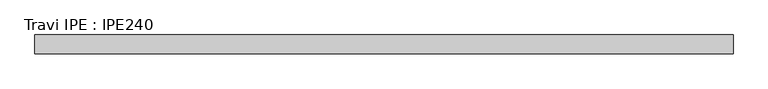
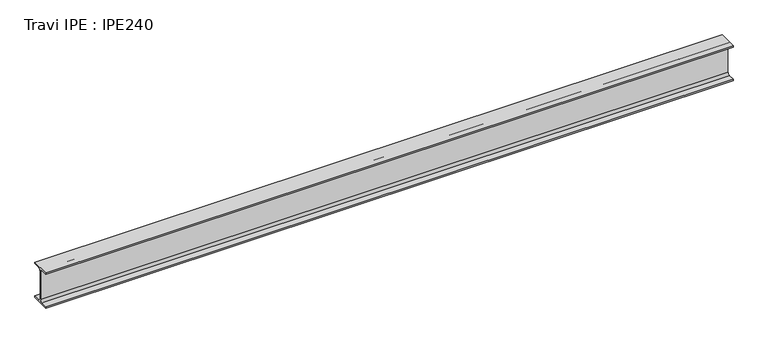
"""IFC4 building model written with IfcOpenShell, lengths in millimetres: beam geometry, Travi IPE : IPE240."""

import ifcopenshell
import ifcopenshell.guid

model = None  # the IFC model being written
_history = None  # IfcOwnerHistory: only IFC2X3 demands one
_inside = {}  # id of a spatial element -> (the spatial element, [elements in it])
_under = {}  # id of a project, library or spatial element -> (it, [spatial elements below it])
_declared = {}  # id of a project -> (the project, [libraries it declares])
_typed = {}  # id of a type object -> (the type object, [elements of that type])
_made_of = {}  # id of a material, layer set ... -> (it, [elements and type objects made of it])


def new_model(schema):
    """Start an empty IFC model of exactly this schema.

    Asked for "IFC4X3", IfcOpenShell would pick the latest addendum, in which some entities
    have other attributes; the version numbers below select the first issue.
    IFC2X3 requires an IfcOwnerHistory on every rooted entity: one is made here for all.
    """
    global model, _history
    if schema == "IFC4X3":
        model = ifcopenshell.file(schema_version=(4, 3, 0, 0))
    else:
        model = ifcopenshell.file(schema=schema)
    _inside.clear()
    _under.clear()
    _declared.clear()
    _typed.clear()
    _made_of.clear()
    _history = None
    if model.schema == "IFC2X3":
        org = make("IfcOrganization", Name="unknown")
        user = make(
            "IfcPersonAndOrganization",
            ThePerson=make("IfcPerson", FamilyName="unknown"),
            TheOrganization=org,
        )
        app = make(
            "IfcApplication",
            ApplicationDeveloper=org,
            Version="unknown",
            ApplicationFullName="unknown",
            ApplicationIdentifier="unknown",
        )
        _history = make(
            "IfcOwnerHistory",
            OwningUser=user,
            OwningApplication=app,
            ChangeAction="ADDED",
            CreationDate=0,
        )
    return model


def make(cls, **values):
    """One entity of the class cls with the attributes given. An attribute that is None is left unset."""
    return model.create_entity(
        cls, **{name: value for name, value in values.items() if value is not None}
    )


def rooted(cls, **values):
    """An entity with a GlobalId (a new one), such as an element, a storey or a relation."""
    return make(cls, GlobalId=ifcopenshell.guid.new(), OwnerHistory=_history, **values)


def si_unit(unit_type, name, prefix=None):
    """IfcSIUnit, for example si_unit("LENGTHUNIT", "METRE", prefix="MILLI")."""
    return make("IfcSIUnit", UnitType=unit_type, Prefix=prefix, Name=name)


def assignment(units):
    """IfcUnitAssignment: the units of a project."""
    return None if units is None else make("IfcUnitAssignment", Units=units)


def point(xyz):
    """IfcCartesianPoint."""
    return None if xyz is None else make("IfcCartesianPoint", Coordinates=xyz)


def direction(xyz):
    """IfcDirection."""
    return None if xyz is None else make("IfcDirection", DirectionRatios=xyz)


def frame(location, z_axis=None, x_axis=None):
    """IfcAxis2Placement3D, a coordinate frame: its origin and axes. An axis left out is left unset."""
    return make(
        "IfcAxis2Placement3D",
        Location=point(location),
        Axis=direction(z_axis),
        RefDirection=direction(x_axis),
    )


def frame_2d(location, x_axis=None):
    """IfcAxis2Placement2D, a coordinate frame in the plane: its origin and x axis."""
    return make(
        "IfcAxis2Placement2D", Location=point(location), RefDirection=direction(x_axis)
    )


def origin():
    """The frame at (0, 0, 0) with its axes left unset."""
    return frame((0.0, 0.0, 0.0))


def place(relative_to, where):
    """IfcLocalPlacement: puts the frame where relative to a parent placement (None: the world)."""
    return make(
        "IfcLocalPlacement", PlacementRelTo=relative_to, RelativePlacement=where
    )


def context(
    kind, dimensions, precision=None, world=None, true_north=None, identifier=None
):
    """IfcGeometricRepresentationContext, for example the 3D "Model" context."""
    return make(
        "IfcGeometricRepresentationContext",
        ContextIdentifier=identifier,
        ContextType=kind,
        CoordinateSpaceDimension=dimensions,
        Precision=precision,
        WorldCoordinateSystem=world,
        TrueNorth=true_north,
    )


def project(units=None, contexts=None):
    """IfcProject with its units and contexts."""
    return rooted(
        "IfcProject",
        Name="project",
        RepresentationContexts=contexts,
        UnitsInContext=assignment(units),
    )


def spatial(cls, under=None, at=None, **own):
    """A site, building, storey or space (cls), placed at a placement, below another one or the project."""
    s = rooted(cls, ObjectPlacement=at, **own)
    if under is not None:
        _under.setdefault(under.id(), (under, []))[1].append(s)
    return s


def polyline(points):
    """IfcPolyline through the points."""
    return make("IfcPolyline", Points=[point(p) for p in points])


def circle_curve(where, radius):
    """IfcCircle in the frame where."""
    return make("IfcCircle", Position=where, Radius=radius)


def trimmed(basis, trim1, trim2, sense, master):
    """IfcTrimmedCurve: the piece of a basis curve between two trims."""
    return make(
        "IfcTrimmedCurve",
        BasisCurve=basis,
        Trim1=trim1,
        Trim2=trim2,
        SenseAgreement=sense,
        MasterRepresentation=master,
    )


def segment(curve, same_sense, transition):
    """IfcCompositeCurveSegment."""
    return make(
        "IfcCompositeCurveSegment",
        Transition=transition,
        SameSense=same_sense,
        ParentCurve=curve,
    )


def composite_curve(segments, self_intersect=None):
    """IfcCompositeCurve: segments joined end to end."""
    return make("IfcCompositeCurve", Segments=segments, SelfIntersect=self_intersect)


def outline(outer, holes=None, kind="AREA"):
    """IfcArbitraryClosedProfileDef: a profile drawn as a closed curve; with holes, ...WithVoids."""
    if holes is None:
        return make("IfcArbitraryClosedProfileDef", ProfileType=kind, OuterCurve=outer)
    return make(
        "IfcArbitraryProfileDefWithVoids",
        ProfileType=kind,
        OuterCurve=outer,
        InnerCurves=holes,
    )


def extrude(swept, where, along, depth):
    """IfcExtrudedAreaSolid: the profile swept, set in the frame where, extruded along a direction by depth."""
    return make(
        "IfcExtrudedAreaSolid",
        SweptArea=swept,
        Position=where,
        ExtrudedDirection=direction(along),
        Depth=depth,
    )


def shape(context_of_items, identifier, shape_type, items):
    """IfcShapeRepresentation: the items that make up one representation, for example the "Body"."""
    return make(
        "IfcShapeRepresentation",
        ContextOfItems=context_of_items,
        RepresentationIdentifier=identifier,
        RepresentationType=shape_type,
        Items=items,
    )


def source(mapping_origin, context_of_items, identifier, shape_type, items):
    """IfcRepresentationMap: a shape defined once, which mapped items show again and again."""
    return make(
        "IfcRepresentationMap",
        MappingOrigin=mapping_origin,
        MappedRepresentation=shape(context_of_items, identifier, shape_type, items),
    )


def transform(
    local_origin,
    x_axis=None,
    y_axis=None,
    z_axis=None,
    scale=None,
    scale2=None,
    scale3=None,
    uniform=True,
):
    """IfcCartesianTransformationOperator3D, or its non-uniform kind. x_axis, y_axis, z_axis: its Axis1, 2, 3."""
    if uniform:
        return make(
            "IfcCartesianTransformationOperator3D",
            Axis1=direction(x_axis),
            Axis2=direction(y_axis),
            LocalOrigin=point(local_origin),
            Scale=scale,
            Axis3=direction(z_axis),
        )
    return make(
        "IfcCartesianTransformationOperator3DnonUniform",
        Axis1=direction(x_axis),
        Axis2=direction(y_axis),
        LocalOrigin=point(local_origin),
        Scale=scale,
        Axis3=direction(z_axis),
        Scale2=scale2,
        Scale3=scale3,
    )


def mapped(mapping_source, mapping_target):
    """IfcMappedItem: shows the shape of a source again, moved by a transform."""
    return make(
        "IfcMappedItem", MappingSource=mapping_source, MappingTarget=mapping_target
    )


def made_of(thing, what):
    """Note that an element or type object is made of a material, layer set ...; save() writes the relation."""
    if what is not None:
        _made_of.setdefault(what.id(), (what, []))[1].append(thing)
    return thing


def element(
    cls,
    number,
    at=None,
    inside=None,
    cuts=None,
    type_object=None,
    material=None,
    context=None,
    identifier="Body",
    shape_type=None,
    held_by="IfcProductDefinitionShape",
    body=None,
    shapes=None,
    **own,
):
    """One element of the class cls, such as IfcWall. Its Tag is "e" and its number.

    at: its placement. inside: the storey or other place that contains it. cuts: it is an
    opening in that element (IfcRelVoidsElement). A single representation is given by context,
    identifier, shape_type and body (its items); several are given by shapes. held_by: the class
    of the entity that holds the representations. save() writes the other relations.
    """
    e = rooted(cls, Tag="e%d" % number, ObjectPlacement=at, **own)
    if body is not None:
        shapes = [shape(context, identifier, shape_type, body)]
    if shapes is not None:
        e.Representation = make(held_by, Representations=shapes)
    if inside is not None:
        _inside.setdefault(inside.id(), (inside, []))[1].append(e)
    if cuts is not None:
        rooted(
            "IfcRelVoidsElement", RelatingBuildingElement=cuts, RelatedOpeningElement=e
        )
    if type_object is not None:
        _typed.setdefault(type_object.id(), (type_object, []))[1].append(e)
    return made_of(e, material)


def aggregate(whole, parts):
    """IfcRelAggregates: a whole, such as a stair, and the parts it consists of."""
    return rooted("IfcRelAggregates", RelatingObject=whole, RelatedObjects=parts)


def save(model, path):
    """Write the relations noted so far, then the file.

    IfcRelAggregates (storeys below a building ...), IfcRelContainedInSpatialStructure (elements
    in a storey), IfcRelDefinesByType, IfcRelAssociatesMaterial and IfcRelDeclares: one each for
    every whole, place, type object, material and project.
    """
    for whole, parts in _under.values():
        aggregate(whole, parts)
    for where, things in _inside.values():
        rooted(
            "IfcRelContainedInSpatialStructure",
            RelatedElements=things,
            RelatingStructure=where,
        )
    for kind, things in _typed.values():
        rooted("IfcRelDefinesByType", RelatedObjects=things, RelatingType=kind)
    for what, things in _made_of.values():
        rooted("IfcRelAssociatesMaterial", RelatedObjects=things, RelatingMaterial=what)
    for by, libraries in _declared.values():
        rooted("IfcRelDeclares", RelatingContext=by, RelatedDefinitions=libraries)
    model.write(path)


def travi_ipe_ipe240_fdc9565f(model_context):
    return source(origin(), model_context, "Body", "SweptSolid", [
        extrude(outline(composite_curve([segment(polyline([(60.0, -110.2), (60.0, -120.0), (-60.0, -120.0), (-60.0, -110.2), (-18.1, -110.2)]), True, "CONTINUOUS"), segment(trimmed(circle_curve(frame_2d((-18.1, -95.2)), 15.0), [point((-18.1, -110.2))], [point((-3.1, -95.2))], True, "CARTESIAN"), True, "CONTINUOUS"), segment(polyline([(-3.1, -95.2), (-3.1, 95.2)]), True, "CONTINUOUS"), segment(trimmed(circle_curve(frame_2d((-18.1, 95.2)), 15.0), [point((-3.1, 95.2))], [point((-18.1, 110.2))], True, "CARTESIAN"), True, "CONTINUOUS"), segment(polyline([(-18.1, 110.2), (-60.0, 110.2), (-60.0, 120.0), (60.0, 120.0), (60.0, 110.2), (18.1, 110.2)]), True, "CONTINUOUS"), segment(trimmed(circle_curve(frame_2d((18.1, 95.2)), 15.0), [point((18.1, 110.2))], [point((3.1, 95.2))], True, "CARTESIAN"), True, "CONTINUOUS"), segment(polyline([(3.1, 95.2), (3.1, -95.2)]), True, "CONTINUOUS"), segment(trimmed(circle_curve(frame_2d((18.1, -95.2)), 15.0), [point((3.1, -95.2))], [point((18.1, -110.2))], True, "CARTESIAN"), True, "CONTINUOUS"), segment(polyline([(18.1, -110.2), (60.0, -110.2)]), True, "CONTINUOUS")], self_intersect=False)), frame((-2246.5, 0.0, 0.0), z_axis=(1.0, 0.0, 0.0), x_axis=(0.0, 1.0, 0.0)), (0.0, 0.0, 1.0), 4423.0),
    ])


if __name__ == "__main__":
    model = new_model("IFC4")
    model_context = context("Model", 3, world=origin())
    ifc_project = project(units=[si_unit("LENGTHUNIT", "METRE", prefix="MILLI")], contexts=[model_context])
    site = spatial("IfcSite", under=ifc_project)
    building = spatial("IfcBuilding", under=site)
    placement = place(None, origin())
    travi_ipe_ipe240_shape = travi_ipe_ipe240_fdc9565f(model_context)
    element("IfcBeam", 1, ObjectType="Travi IPE : IPE240", at=placement, inside=building, context=model_context, shape_type="MappedRepresentation", body=[
        mapped(travi_ipe_ipe240_shape, transform((0.0, 0.0, 0.0), x_axis=(1.0, 0.0, 0.0), y_axis=(0.0, 1.0, 0.0), z_axis=(0.0, 0.0, 1.0))),
    ])
    save(model, "model.ifc")
